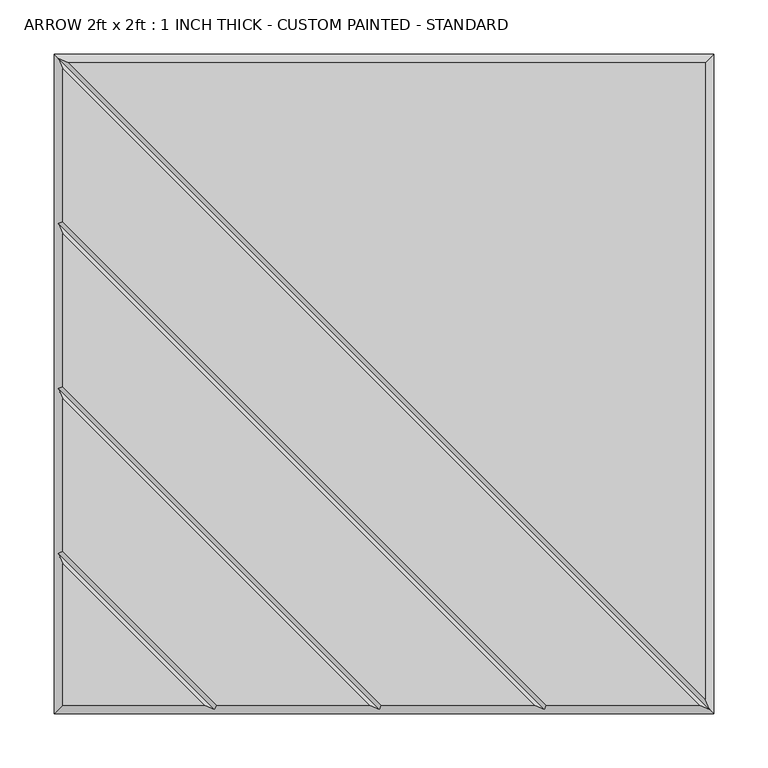
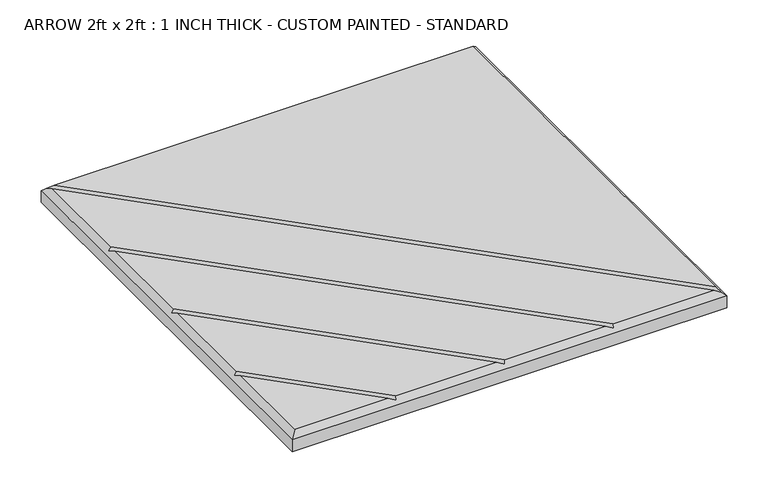
"""IFC4 building model written with IfcOpenShell, lengths in millimetres: proxy geometry, ARROW 2ft x 2ft : 1 INCH THICK - CUSTOM PAINTED - STANDARD."""

from ifc_helpers import new_model, si_unit, origin, place, context, project, spatial, faceted_brep, source, transform, mapped, element, save


def arrow_2ft_x_2ft_1_inch_thick_custom_painted_standard_83db6de9(model_context):
    return source(origin(), model_context, "Body", "Brep", [
        faceted_brep([(296.799, 296.799, 25.4), (-291.1414386, 296.799, 25.4), (296.799, -291.1414386, 25.4), (291.1414386, -296.799, 25.4), (-296.799, 291.1414386, 25.4), (-296.799, 150.0565868, 25.4), (150.0565868, -296.799, 25.4), (138.741464, -296.799, 25.4), (-296.799, 138.741464, 25.4), (-296.799, -2.3434132, 25.4), (-2.3434132, -296.799, 25.4), (-13.658536, -296.799, 25.4), (-296.799, -13.658536, 25.4), (-296.799, -154.7434132, 25.4), (-154.7434132, -296.799, 25.4), (-296.799, -166.058536, 25.4), (-296.799, -296.799, 25.4), (-166.058536, -296.799, 25.4), (-304.8, 304.8, 0.0), (304.8, 304.8, 0.0), (304.8, -304.8, 0.0), (-304.8, -304.8, 0.0), (-304.8, -304.8, 17.399), (-304.8, 304.8, 17.399), (304.8, -304.8, 17.399), (304.8, 304.8, 17.399), (-300.7995, 300.7995, 21.3995), (-300.7995, -156.4004746, 21.3995), (-300.7995, -4.0004746, 21.3995), (-300.7995, 148.3995254, 21.3995), (300.7995, -300.7995, 21.3995), (148.3995254, -300.7995, 21.3995), (-4.0004746, -300.7995, 21.3995), (-156.4004746, -300.7995, 21.3995)], [[[0, 1, 2]], [[3, 4, 5, 6]], [[7, 8, 9, 10]], [[11, 12, 13, 14]], [[15, 16, 17]], [[18, 19, 20, 21]], [[18, 21, 22, 23]], [[21, 20, 24, 22]], [[20, 19, 25, 24]], [[19, 18, 23, 25]], [[0, 25, 23, 26, 1]], [[22, 16, 15, 27, 13, 12, 28, 9, 8, 29, 5, 4, 26, 23]], [[16, 22, 24, 30, 3, 6, 31, 7, 10, 32, 11, 14, 33, 17]], [[25, 0, 2, 30, 24]], [[26, 30, 2, 1]], [[30, 26, 4, 3]], [[29, 31, 6, 5]], [[31, 29, 8, 7]], [[28, 32, 10, 9]], [[32, 28, 12, 11]], [[27, 33, 14, 13]], [[33, 27, 15, 17]]]),
    ])


if __name__ == "__main__":
    model = new_model("IFC4")
    model_context = context("Model", 3, world=origin())
    ifc_project = project(units=[si_unit("LENGTHUNIT", "METRE", prefix="MILLI")], contexts=[model_context])
    site = spatial("IfcSite", under=ifc_project)
    building = spatial("IfcBuilding", under=site)
    placement = place(None, origin())
    arrow_2ft_x_2ft_1_inch_thick_custom_painted_standard_shape = arrow_2ft_x_2ft_1_inch_thick_custom_painted_standard_83db6de9(model_context)
    element("IfcBuildingElementProxy", 1, Name="ARROW 2ft x 2ft : 1 INCH THICK - CUSTOM PAINTED - STANDARD", ObjectType="ARROW 2ft x 2ft : 1 INCH THICK - CUSTOM PAINTED - STANDARD", at=placement, inside=building, context=model_context, shape_type="MappedRepresentation", body=[
        mapped(arrow_2ft_x_2ft_1_inch_thick_custom_painted_standard_shape, transform((0.0, 0.0, 0.0), x_axis=(1.0, 0.0, 0.0), y_axis=(0.0, 1.0, 0.0), z_axis=(0.0, 0.0, 1.0))),
    ])
    save(model, "model.ifc")
